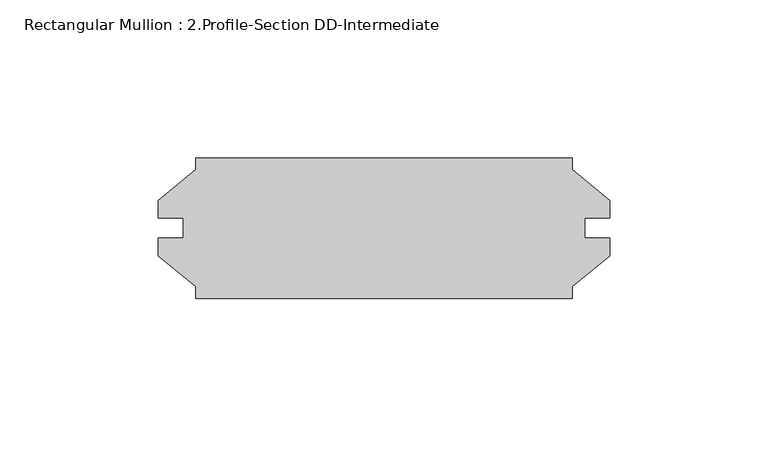
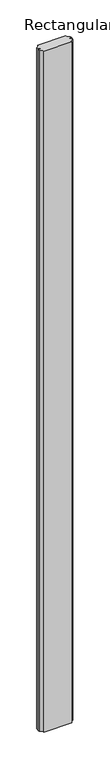
"""IFC4 building model written with IfcOpenShell, lengths in millimetres: member geometry, Rectangular Mullion : 2.Profile-Section DD-Intermediate."""

import ifcopenshell
import ifcopenshell.guid

model = None  # the IFC model being written
_history = None  # IfcOwnerHistory: only IFC2X3 demands one
_inside = {}  # id of a spatial element -> (the spatial element, [elements in it])
_under = {}  # id of a project, library or spatial element -> (it, [spatial elements below it])
_declared = {}  # id of a project -> (the project, [libraries it declares])
_typed = {}  # id of a type object -> (the type object, [elements of that type])
_made_of = {}  # id of a material, layer set ... -> (it, [elements and type objects made of it])


def new_model(schema):
    """Start an empty IFC model of exactly this schema.

    Asked for "IFC4X3", IfcOpenShell would pick the latest addendum, in which some entities
    have other attributes; the version numbers below select the first issue.
    IFC2X3 requires an IfcOwnerHistory on every rooted entity: one is made here for all.
    """
    global model, _history
    if schema == "IFC4X3":
        model = ifcopenshell.file(schema_version=(4, 3, 0, 0))
    else:
        model = ifcopenshell.file(schema=schema)
    _inside.clear()
    _under.clear()
    _declared.clear()
    _typed.clear()
    _made_of.clear()
    _history = None
    if model.schema == "IFC2X3":
        org = make("IfcOrganization", Name="unknown")
        user = make(
            "IfcPersonAndOrganization",
            ThePerson=make("IfcPerson", FamilyName="unknown"),
            TheOrganization=org,
        )
        app = make(
            "IfcApplication",
            ApplicationDeveloper=org,
            Version="unknown",
            ApplicationFullName="unknown",
            ApplicationIdentifier="unknown",
        )
        _history = make(
            "IfcOwnerHistory",
            OwningUser=user,
            OwningApplication=app,
            ChangeAction="ADDED",
            CreationDate=0,
        )
    return model


def make(cls, **values):
    """One entity of the class cls with the attributes given. An attribute that is None is left unset."""
    return model.create_entity(
        cls, **{name: value for name, value in values.items() if value is not None}
    )


def rooted(cls, **values):
    """An entity with a GlobalId (a new one), such as an element, a storey or a relation."""
    return make(cls, GlobalId=ifcopenshell.guid.new(), OwnerHistory=_history, **values)


def si_unit(unit_type, name, prefix=None):
    """IfcSIUnit, for example si_unit("LENGTHUNIT", "METRE", prefix="MILLI")."""
    return make("IfcSIUnit", UnitType=unit_type, Prefix=prefix, Name=name)


def assignment(units):
    """IfcUnitAssignment: the units of a project."""
    return None if units is None else make("IfcUnitAssignment", Units=units)


def point(xyz):
    """IfcCartesianPoint."""
    return None if xyz is None else make("IfcCartesianPoint", Coordinates=xyz)


def direction(xyz):
    """IfcDirection."""
    return None if xyz is None else make("IfcDirection", DirectionRatios=xyz)


def frame(location, z_axis=None, x_axis=None):
    """IfcAxis2Placement3D, a coordinate frame: its origin and axes. An axis left out is left unset."""
    return make(
        "IfcAxis2Placement3D",
        Location=point(location),
        Axis=direction(z_axis),
        RefDirection=direction(x_axis),
    )


def origin():
    """The frame at (0, 0, 0) with its axes left unset."""
    return frame((0.0, 0.0, 0.0))


def place(relative_to, where):
    """IfcLocalPlacement: puts the frame where relative to a parent placement (None: the world)."""
    return make(
        "IfcLocalPlacement", PlacementRelTo=relative_to, RelativePlacement=where
    )


def context(
    kind, dimensions, precision=None, world=None, true_north=None, identifier=None
):
    """IfcGeometricRepresentationContext, for example the 3D "Model" context."""
    return make(
        "IfcGeometricRepresentationContext",
        ContextIdentifier=identifier,
        ContextType=kind,
        CoordinateSpaceDimension=dimensions,
        Precision=precision,
        WorldCoordinateSystem=world,
        TrueNorth=true_north,
    )


def project(units=None, contexts=None):
    """IfcProject with its units and contexts."""
    return rooted(
        "IfcProject",
        Name="project",
        RepresentationContexts=contexts,
        UnitsInContext=assignment(units),
    )


def spatial(cls, under=None, at=None, **own):
    """A site, building, storey or space (cls), placed at a placement, below another one or the project."""
    s = rooted(cls, ObjectPlacement=at, **own)
    if under is not None:
        _under.setdefault(under.id(), (under, []))[1].append(s)
    return s


def polyline(points):
    """IfcPolyline through the points."""
    return make("IfcPolyline", Points=[point(p) for p in points])


def outline(outer, holes=None, kind="AREA"):
    """IfcArbitraryClosedProfileDef: a profile drawn as a closed curve; with holes, ...WithVoids."""
    if holes is None:
        return make("IfcArbitraryClosedProfileDef", ProfileType=kind, OuterCurve=outer)
    return make(
        "IfcArbitraryProfileDefWithVoids",
        ProfileType=kind,
        OuterCurve=outer,
        InnerCurves=holes,
    )


def extrude(swept, where, along, depth):
    """IfcExtrudedAreaSolid: the profile swept, set in the frame where, extruded along a direction by depth."""
    return make(
        "IfcExtrudedAreaSolid",
        SweptArea=swept,
        Position=where,
        ExtrudedDirection=direction(along),
        Depth=depth,
    )


def shape(context_of_items, identifier, shape_type, items):
    """IfcShapeRepresentation: the items that make up one representation, for example the "Body"."""
    return make(
        "IfcShapeRepresentation",
        ContextOfItems=context_of_items,
        RepresentationIdentifier=identifier,
        RepresentationType=shape_type,
        Items=items,
    )


def source(mapping_origin, context_of_items, identifier, shape_type, items):
    """IfcRepresentationMap: a shape defined once, which mapped items show again and again."""
    return make(
        "IfcRepresentationMap",
        MappingOrigin=mapping_origin,
        MappedRepresentation=shape(context_of_items, identifier, shape_type, items),
    )


def transform(
    local_origin,
    x_axis=None,
    y_axis=None,
    z_axis=None,
    scale=None,
    scale2=None,
    scale3=None,
    uniform=True,
):
    """IfcCartesianTransformationOperator3D, or its non-uniform kind. x_axis, y_axis, z_axis: its Axis1, 2, 3."""
    if uniform:
        return make(
            "IfcCartesianTransformationOperator3D",
            Axis1=direction(x_axis),
            Axis2=direction(y_axis),
            LocalOrigin=point(local_origin),
            Scale=scale,
            Axis3=direction(z_axis),
        )
    return make(
        "IfcCartesianTransformationOperator3DnonUniform",
        Axis1=direction(x_axis),
        Axis2=direction(y_axis),
        LocalOrigin=point(local_origin),
        Scale=scale,
        Axis3=direction(z_axis),
        Scale2=scale2,
        Scale3=scale3,
    )


def mapped(mapping_source, mapping_target):
    """IfcMappedItem: shows the shape of a source again, moved by a transform."""
    return make(
        "IfcMappedItem", MappingSource=mapping_source, MappingTarget=mapping_target
    )


def made_of(thing, what):
    """Note that an element or type object is made of a material, layer set ...; save() writes the relation."""
    if what is not None:
        _made_of.setdefault(what.id(), (what, []))[1].append(thing)
    return thing


def element(
    cls,
    number,
    at=None,
    inside=None,
    cuts=None,
    type_object=None,
    material=None,
    context=None,
    identifier="Body",
    shape_type=None,
    held_by="IfcProductDefinitionShape",
    body=None,
    shapes=None,
    **own,
):
    """One element of the class cls, such as IfcWall. Its Tag is "e" and its number.

    at: its placement. inside: the storey or other place that contains it. cuts: it is an
    opening in that element (IfcRelVoidsElement). A single representation is given by context,
    identifier, shape_type and body (its items); several are given by shapes. held_by: the class
    of the entity that holds the representations. save() writes the other relations.
    """
    e = rooted(cls, Tag="e%d" % number, ObjectPlacement=at, **own)
    if body is not None:
        shapes = [shape(context, identifier, shape_type, body)]
    if shapes is not None:
        e.Representation = make(held_by, Representations=shapes)
    if inside is not None:
        _inside.setdefault(inside.id(), (inside, []))[1].append(e)
    if cuts is not None:
        rooted(
            "IfcRelVoidsElement", RelatingBuildingElement=cuts, RelatedOpeningElement=e
        )
    if type_object is not None:
        _typed.setdefault(type_object.id(), (type_object, []))[1].append(e)
    return made_of(e, material)


def aggregate(whole, parts):
    """IfcRelAggregates: a whole, such as a stair, and the parts it consists of."""
    return rooted("IfcRelAggregates", RelatingObject=whole, RelatedObjects=parts)


def save(model, path):
    """Write the relations noted so far, then the file.

    IfcRelAggregates (storeys below a building ...), IfcRelContainedInSpatialStructure (elements
    in a storey), IfcRelDefinesByType, IfcRelAssociatesMaterial and IfcRelDeclares: one each for
    every whole, place, type object, material and project.
    """
    for whole, parts in _under.values():
        aggregate(whole, parts)
    for where, things in _inside.values():
        rooted(
            "IfcRelContainedInSpatialStructure",
            RelatedElements=things,
            RelatingStructure=where,
        )
    for kind, things in _typed.values():
        rooted("IfcRelDefinesByType", RelatedObjects=things, RelatingType=kind)
    for what, things in _made_of.values():
        rooted("IfcRelAssociatesMaterial", RelatedObjects=things, RelatingMaterial=what)
    for by, libraries in _declared.values():
        rooted("IfcRelDeclares", RelatingContext=by, RelatedDefinitions=libraries)
    model.write(path)


def rectangular_mullion_2_profile_section_dd_intermediate_13769b2f(model_context):
    return source(origin(), model_context, "Body", "SweptSolid", [
        extrude(outline(polyline([(-130.95605, -23.0632), (-130.95605, -19.357036), (-142.8623, -9.5885), (-142.8623, -4.0132), (-134.91845, -4.0132), (-134.91845, 2.3368), (-142.8623, 2.3368), (-142.8623, 7.9121), (-130.95605, 17.680636), (-130.95605, 21.3868), (-11.90625, 21.3868), (-11.8624991, 17.6447404), (0.0, 7.9121), (0.0, 2.3368), (-7.94385, 2.3368), (-7.94385, -4.0132), (0.0, -4.0132), (0.0, -9.5885), (-11.90625, -19.357036), (-11.90625, -23.0632), (-130.95605, -23.0632)])), frame((0.0, 0.0, -3048.0), z_axis=(0.0, 0.0, 1.0), x_axis=(1.0, 0.0, 0.0)), (0.0, 0.0, 1.0), 3048.0),
    ])


if __name__ == "__main__":
    model = new_model("IFC4")
    model_context = context("Model", 3, world=origin())
    ifc_project = project(units=[si_unit("LENGTHUNIT", "METRE", prefix="MILLI")], contexts=[model_context])
    site = spatial("IfcSite", under=ifc_project)
    building = spatial("IfcBuilding", under=site)
    placement = place(None, origin())
    rectangular_mullion_2_profile_section_dd_intermediate_shape = rectangular_mullion_2_profile_section_dd_intermediate_13769b2f(model_context)
    element("IfcMember", 1, ObjectType="Rectangular Mullion : 2.Profile-Section DD-Intermediate", at=placement, inside=building, context=model_context, shape_type="MappedRepresentation", body=[
        mapped(rectangular_mullion_2_profile_section_dd_intermediate_shape, transform((0.0, 0.0, 0.0), x_axis=(1.0, 0.0, 0.0), y_axis=(0.0, 1.0, 0.0), z_axis=(0.0, 0.0, 1.0))),
    ])
    save(model, "model.ifc")
